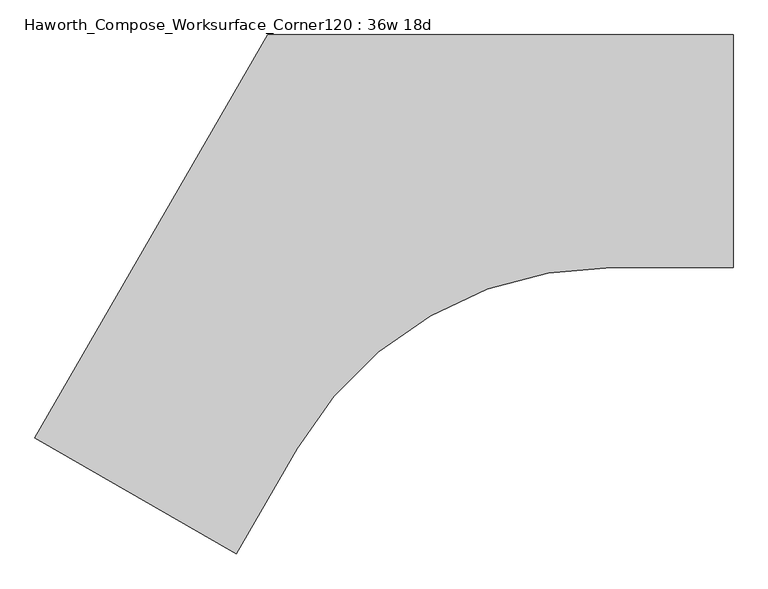
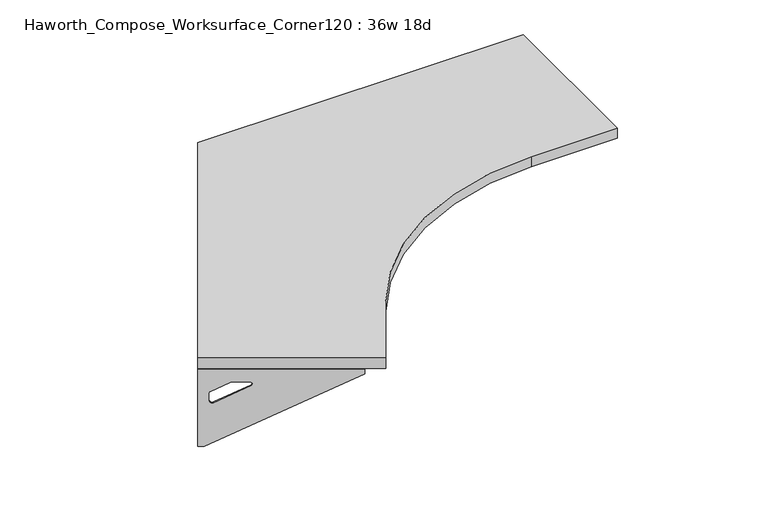
"""IFC4 building model written with IfcOpenShell, lengths in millimetres: furniture geometry, Haworth_Compose_Worksurface_Corner120 : 36w 18d."""

from ifc_helpers import new_model, si_unit, point, frame, frame_2d, origin, place, context, project, spatial, polyline, circle_curve, trimmed, segment, composite_curve, outline, extrude, source, transform, mapped, element, save
from ifc_brep_helpers import plane_surface, revolved_surface, advanced_brep


def haworth_compose_worksurface_corner120_36w_18d_43731341(model_context):
    return source(origin(), model_context, "Body", "SolidModel", [
        advanced_brep(
        [(150.01875, 304.8, 473.86875), (150.01875, 288.925, 473.86875), (150.01875, -101.6, 690.1317568), (150.01875, -101.6, 702.46875), (150.01875, 288.925, 702.46875), (150.01875, 304.8, 702.46875), (150.01875, 221.490072, 664.36875), (150.01875, 177.8355284, 664.36875), (150.01875, 175.1564235, 654.7830539), (150.01875, 266.8776173, 603.9901439), (150.01875, 276.225, 609.5881969), (150.01875, 276.225, 633.0985246), (150.01875, 274.4730055, 635.9367776), (150.01875, 224.5663437, 663.5738425), (152.4, 304.8, 473.86875), (152.4, 304.8, 702.46875), (152.4, 288.925, 702.46875), (152.4, 288.925, 704.85), (152.4, -101.6, 704.85), (152.4, -101.6, 690.1317568), (152.4, 288.925, 473.86875), (152.4, 221.490072, 664.36875), (152.4, 224.5663437, 663.5738425), (152.4, 274.4730055, 635.9367776), (152.4, 276.225, 633.0985246), (152.4, 276.225, 609.5881969), (152.4, 266.8776173, 603.9901439), (152.4, 175.1564235, 654.7830539), (152.4, 177.8355284, 664.36875), (111.125, -101.6, 704.85), (111.125, -101.6, 702.46875), (111.125, 288.925, 702.46875), (111.125, 288.925, 704.85)],
        [
            (0, 1),
            (1, 2),
            (2, 3),
            (3, 4),
            (4, 5),
            (5, 0),
            (6, 7),
            (7, 8, circle_curve(frame((150.01875, 177.8355284, 659.2015106), z_axis=(1.0, 0.0, 0.0), x_axis=(0.0, -1.0, 0.0)), 5.1672394)),
            (8, 9),
            (9, 10, circle_curve(frame((150.01875, 269.875, 609.5881969), z_axis=(1.0, 0.0, 0.0), x_axis=(0.0, -1.0, 0.0)), 6.35)),
            (10, 11),
            (11, 12, circle_curve(frame((150.01875, 273.05, 633.0985246), z_axis=(1.0, 0.0, 0.0), x_axis=(0.0, -1.0, 0.0)), 3.175)),
            (12, 13),
            (13, 6, circle_curve(frame((150.01875, 221.490072, 658.01875), z_axis=(1.0, 0.0, 0.0), x_axis=(0.0, -1.0, 0.0)), 6.35)),
            (14, 15),
            (15, 16),
            (16, 17),
            (17, 18),
            (18, 19),
            (19, 20),
            (20, 14),
            (21, 22, circle_curve(frame((152.4, 221.490072, 658.01875), z_axis=(-1.0, 0.0, 0.0), x_axis=(0.0, -1.0, 0.0)), 6.35)),
            (22, 23),
            (23, 24, circle_curve(frame((152.4, 273.05, 633.0985246), z_axis=(-1.0, 0.0, 0.0), x_axis=(0.0, -1.0, 0.0)), 3.175)),
            (24, 25),
            (25, 26, circle_curve(frame((152.4, 269.875, 609.5881969), z_axis=(-1.0, 0.0, 0.0), x_axis=(0.0, -1.0, 0.0)), 6.35)),
            (26, 27),
            (27, 28, circle_curve(frame((152.4, 177.8355284, 659.2015106), z_axis=(-1.0, 0.0, 0.0), x_axis=(0.0, -1.0, 0.0)), 5.1672394)),
            (28, 21),
            (4, 16),
            (15, 5),
            (14, 0),
            (20, 1),
            (19, 2),
            (18, 29),
            (29, 30),
            (30, 3),
            (6, 21),
            (28, 7),
            (9, 26),
            (25, 10),
            (24, 11),
            (23, 12),
            (27, 8),
            (31, 4),
            (30, 31),
            (32, 29),
            (17, 32),
            (31, 32),
            (22, 13),
        ],
        [
            plane_surface(frame((150.01875, 304.8, 473.86875), z_axis=(-1.0, 0.0, 0.0), x_axis=(0.0, 1.0, 0.0))),
            plane_surface(frame((152.4, 304.8, 473.86875), z_axis=(1.0, 0.0, 0.0), x_axis=(0.0, -1.0, 0.0))),
            plane_surface(frame((152.4, -101.6, 702.46875), z_axis=(0.0, 0.0, 1.0), x_axis=(-1.0, 0.0, 0.0))),
            plane_surface(frame((152.4, 304.8, 702.46875), z_axis=(0.0, 1.0, 0.0), x_axis=(-1.0, 0.0, 0.0))),
            plane_surface(frame((152.4, 304.8, 473.86875), z_axis=(0.0, 0.0, -1.0), x_axis=(-1.0, 0.0, 0.0))),
            plane_surface(frame((152.4, 288.925, 473.86875), z_axis=(0.0, -0.4844522351345575, -0.8748177135112957), x_axis=(-1.0, 0.0, 0.0))),
            plane_surface(frame((152.4, -101.6, 690.1317568), z_axis=(0.0, -1.0, 0.0), x_axis=(-1.0, 0.0, 0.0))),
            plane_surface(frame((152.4, 221.490072, 664.36875), z_axis=(0.0, 0.0, -1.0), x_axis=(-1.0, 0.0, 0.0))),
            revolved_surface(polyline([(150.01875, 263.525, 609.5881969), (152.4, 263.525, 609.5881969)]), (152.4, 269.875, 609.5881969), (-1.0, 0.0, 0.0)),
            plane_surface(frame((152.4, 276.225, 609.5881969), z_axis=(0.0, -1.0, 0.0), x_axis=(-1.0, 0.0, 0.0))),
            revolved_surface(polyline([(150.01875, 269.875, 633.0985246), (152.4, 269.875, 633.0985246)]), (152.4, 273.05, 633.0985246), (-1.0, 0.0, 0.0)),
            revolved_surface(polyline([(150.01875, 172.668289, 659.2015106), (152.4, 172.668289, 659.2015106)]), (152.4, 177.8355284, 659.2015106), (-1.0, 0.0, 0.0)),
            plane_surface(frame((152.4, 288.925, 702.46875), z_axis=(0.0, 0.0, -1.0), x_axis=(-1.0, 0.0, 0.0))),
            plane_surface(frame((152.4, 288.925, 704.85), z_axis=(0.0, 0.0, 1.0), x_axis=(1.0, 0.0, 0.0))),
            plane_surface(frame((111.125, 288.925, 704.85), z_axis=(0.0, 1.0, 0.0), x_axis=(0.0, 0.0, -1.0))),
            plane_surface(frame((111.125, -101.6, 704.85), z_axis=(-1.0, 0.0, 0.0), x_axis=(0.0, 0.0, -1.0))),
            plane_surface(frame((152.4, 175.1564235, 654.7830539), z_axis=(0.0, 0.4844522351341526, 0.8748177135115199), x_axis=(-1.0, 0.0, 0.0))),
            plane_surface(frame((152.4, 274.4730055, 635.9367776), z_axis=(0.0, -0.48445223513456226, -0.874817713511293), x_axis=(-1.0, 0.0, 0.0))),
            revolved_surface(polyline([(150.01875, 215.140072, 658.01875), (152.4, 215.140072, 658.01875)]), (152.4, 221.490072, 658.01875), (-1.0, 0.0, 0.0)),
        ],
        [
            (0, [[1, 2, 3, 4, 5, 6], [7, 8, 9, 10, 11, 12, 13, 14]]),
            (1, [[15, 16, 17, 18, 19, 20, 21], [22, 23, 24, 25, 26, 27, 28, 29]]),
            (2, [[-5, 30, -16, 31]]),
            (3, [[-31, -15, 32, -6]]),
            (4, [[-32, -21, 33, -1]]),
            (5, [[-33, -20, 34, -2]]),
            (6, [[-34, -19, 35, 36, 37, -3]]),
            (7, [[38, -29, 39, -7]]),
            (8, [[40, -26, 41, -10]]),
            (9, [[-41, -25, 42, -11]]),
            (10, [[-42, -24, 43, -12]]),
            (11, [[-39, -28, 44, -8]]),
            (12, [[45, -4, -37, 46]]),
            (13, [[47, -35, -18, 48]]),
            (14, [[-17, -30, -45, 49, -48]]),
            (15, [[-36, -47, -49, -46]]),
            (16, [[-44, -27, -40, -9]]),
            (17, [[-43, -23, 50, -13]]),
            (18, [[-50, -22, -38, -14]]),
        ],
    ),
        advanced_brep(
        [(-1218.009375, -485.0314062, 473.86875), (-1218.009375, -485.0314062, 702.46875), (-1204.2612217, -492.9689062, 702.46875), (-866.0566509, -688.2314062, 702.46875), (-866.0566509, -688.2314062, 690.1317568), (-1204.2612217, -492.9689062, 473.86875), (-1145.860861, -526.6863702, 664.36875), (-1148.5249904, -525.1482344, 663.5738425), (-1191.7454274, -500.1949035, 635.9367776), (-1193.2626991, -499.3189062, 633.0985246), (-1193.2626991, -499.3189062, 609.5881969), (-1185.1676282, -503.9925976, 603.9901439), (-1105.7347443, -549.8531945, 654.7830539), (-1108.0549172, -548.513642, 664.36875), (-1219.2, -487.0936292, 473.86875), (-1205.4518467, -495.0311292, 473.86875), (-867.2472759, -690.2936292, 690.1317568), (-867.2472759, -690.2936292, 704.85), (-1205.4518467, -495.0311292, 704.85), (-1205.4518467, -495.0311292, 702.46875), (-1219.2, -487.0936292, 702.46875), (-1147.051486, -528.7485932, 664.36875), (-1109.2455422, -550.575865, 664.36875), (-1106.9253693, -551.9154175, 654.7830539), (-1186.3582532, -506.0548206, 603.9901439), (-1194.4533241, -501.3811292, 609.5881969), (-1194.4533241, -501.3811292, 633.0985246), (-1192.9360524, -502.2571265, 635.9367776), (-1149.7156154, -527.2104574, 663.5738425), (-846.6097759, -654.5484307, 702.46875), (-846.6097759, -654.5484307, 704.85), (-1184.8143467, -459.2859307, 702.46875), (-1184.8143467, -459.2859307, 704.85)],
        [
            (0, 1),
            (1, 2),
            (2, 3),
            (3, 4),
            (4, 5),
            (5, 0),
            (6, 7, circle_curve(frame((-1145.860861, -526.6863702, 658.01875), z_axis=(-0.5000000000000026, -0.8660254037844374, 0.0), x_axis=(0.8660254037844372, -0.5000000000000024, 0.0)), 6.35)),
            (7, 8),
            (8, 9, circle_curve(frame((-1190.5130684, -500.9064062, 633.0985246), z_axis=(-0.5000000000000026, -0.8660254037844374, 0.0), x_axis=(0.8660254037844372, -0.5000000000000024, 0.0)), 3.175)),
            (9, 10),
            (10, 11, circle_curve(frame((-1187.7634378, -502.4939062, 609.5881969), z_axis=(-0.5000000000000026, -0.8660254037844374, 0.0), x_axis=(0.8660254037844372, -0.5000000000000024, 0.0)), 6.35)),
            (11, 12),
            (12, 13, circle_curve(frame((-1108.0549172, -548.513642, 659.2015106), z_axis=(-0.5000000000000026, -0.8660254037844374, 0.0), x_axis=(0.8660254037844372, -0.5000000000000024, 0.0)), 5.1672394)),
            (13, 6),
            (14, 15),
            (15, 16),
            (16, 17),
            (17, 18),
            (18, 19),
            (19, 20),
            (20, 14),
            (21, 22),
            (22, 23, circle_curve(frame((-1109.2455422, -550.575865, 659.2015106), z_axis=(0.5000000000000026, 0.8660254037844374, 0.0), x_axis=(0.8660254037844372, -0.5000000000000024, 0.0)), 5.1672394)),
            (23, 24),
            (24, 25, circle_curve(frame((-1188.9540628, -504.5561292, 609.5881969), z_axis=(0.5000000000000026, 0.8660254037844374, 0.0), x_axis=(0.8660254037844372, -0.5000000000000024, 0.0)), 6.35)),
            (25, 26),
            (26, 27, circle_curve(frame((-1191.7036934, -502.9686292, 633.0985246), z_axis=(0.5000000000000026, 0.8660254037844374, 0.0), x_axis=(0.8660254037844372, -0.5000000000000024, 0.0)), 3.175)),
            (27, 28),
            (28, 21, circle_curve(frame((-1147.051486, -528.7485932, 658.01875), z_axis=(0.5000000000000026, 0.8660254037844374, 0.0), x_axis=(0.8660254037844372, -0.5000000000000024, 0.0)), 6.35)),
            (1, 20),
            (19, 2),
            (0, 14),
            (5, 15),
            (4, 16),
            (3, 29),
            (29, 30),
            (30, 17),
            (13, 22),
            (21, 6),
            (10, 25),
            (24, 11),
            (9, 26),
            (8, 27),
            (12, 23),
            (31, 29),
            (2, 31),
            (32, 18),
            (30, 32),
            (32, 31),
            (7, 28),
        ],
        [
            plane_surface(frame((-1218.009375, -485.0314062, 473.86875), z_axis=(0.5000000000000026, 0.8660254037844373, 0.0), x_axis=(-0.8660254037844373, 0.5000000000000026, 0.0))),
            plane_surface(frame((-1219.2, -487.0936292, 473.86875), z_axis=(-0.5000000000000026, -0.8660254037844373, 0.0), x_axis=(0.8660254037844373, -0.5000000000000026, 0.0))),
            plane_surface(frame((-867.2472759, -690.2936292, 702.46875), z_axis=(0.0, 0.0, 1.0), x_axis=(0.5000000000000011, 0.866025403784438, 0.0))),
            plane_surface(frame((-1219.2, -487.0936292, 702.46875), z_axis=(-0.866025403784438, 0.5000000000000011, 0.0), x_axis=(0.5000000000000011, 0.866025403784438, 0.0))),
            plane_surface(frame((-1219.2, -487.0936292, 473.86875), z_axis=(0.0, 0.0, -1.0), x_axis=(0.5000000000000011, 0.866025403784438, 0.0))),
            plane_surface(frame((-1205.4518467, -495.0311292, 473.86875), z_axis=(0.41954794254667943, -0.24222611756727808, -0.8748177135112957), x_axis=(0.5000000000000011, 0.866025403784438, 0.0))),
            plane_surface(frame((-867.2472759, -690.2936292, 690.1317568), z_axis=(0.866025403784438, -0.5000000000000011, 0.0), x_axis=(0.5000000000000011, 0.866025403784438, 0.0))),
            plane_surface(frame((-1147.051486, -528.7485932, 664.36875), z_axis=(0.0, 0.0, -1.0), x_axis=(0.5000000000000011, 0.866025403784438, 0.0))),
            revolved_surface(polyline([(-1182.2641764793268, -505.66890619573394, 609.5881969), (-1183.4548014983855, -507.7311292215063, 609.5881969)]), (-1188.9540628, -504.5561292, 609.5881969), (0.5000000000000024, 0.8660254037844372, 0.0)),
            plane_surface(frame((-1194.4533241, -501.3811292, 609.5881969), z_axis=(0.866025403784438, -0.5000000000000011, 0.0), x_axis=(0.5000000000000011, 0.866025403784438, 0.0))),
            revolved_surface(polyline([(-1187.7634377398501, -502.49390620180964, 633.0985246), (-1188.954062786454, -504.5561292752913, 633.0985246)]), (-1191.7036934, -502.9686292, 633.0985246), (0.5000000000000024, 0.8660254037844372, 0.0)),
            revolved_surface(polyline([(-1103.57995660903, -551.0972617018095, 659.2015106), (-1104.7705816345158, -553.1594847387139, 659.2015106)]), (-1109.2455422, -550.575865, 659.2015106), (0.5000000000000024, 0.8660254037844372, 0.0)),
            plane_surface(frame((-1205.4518467, -495.0311292, 702.46875), z_axis=(0.0, 0.0, -1.0), x_axis=(0.5000000000000011, 0.866025403784438, 0.0))),
            plane_surface(frame((-1205.4518467, -495.0311292, 704.85), z_axis=(0.0, 0.0, 1.0), x_axis=(-0.5000000000000011, -0.866025403784438, 0.0))),
            plane_surface(frame((-1184.8143467, -459.2859307, 704.85), z_axis=(-0.866025403784438, 0.5000000000000011, 0.0), x_axis=(0.0, 0.0, -1.0))),
            plane_surface(frame((-846.6097759, -654.5484307, 704.85), z_axis=(0.5000000000000011, 0.866025403784438, 0.0), x_axis=(0.0, 0.0, -1.0))),
            plane_surface(frame((-1106.9253693, -551.9154175, 654.7830539), z_axis=(-0.41954794254632877, 0.24222611756707563, 0.87481771351152), x_axis=(0.5000000000000011, 0.866025403784438, 0.0))),
            plane_surface(frame((-1192.9360524, -502.2571265, 635.9367776), z_axis=(0.4195479425466836, -0.24222611756728046, -0.874817713511293), x_axis=(0.5000000000000011, 0.866025403784438, 0.0))),
            revolved_surface(polyline([(-1140.3615996828346, -529.8613702018097, 658.01875), (-1141.5522246973337, -531.9235932196844, 658.01875)]), (-1147.051486, -528.7485932, 658.01875), (0.5000000000000024, 0.8660254037844372, 0.0)),
        ],
        [
            (0, [[1, 2, 3, 4, 5, 6], [7, 8, 9, 10, 11, 12, 13, 14]]),
            (1, [[15, 16, 17, 18, 19, 20, 21], [22, 23, 24, 25, 26, 27, 28, 29]]),
            (2, [[30, -20, 31, -2]]),
            (3, [[-1, 32, -21, -30]]),
            (4, [[-6, 33, -15, -32]]),
            (5, [[-5, 34, -16, -33]]),
            (6, [[-4, 35, 36, 37, -17, -34]]),
            (7, [[-14, 38, -22, 39]]),
            (8, [[-11, 40, -25, 41]]),
            (9, [[-10, 42, -26, -40]]),
            (10, [[-9, 43, -27, -42]]),
            (11, [[-13, 44, -23, -38]]),
            (12, [[45, -35, -3, 46]]),
            (13, [[47, -18, -37, 48]]),
            (14, [[-47, 49, -46, -31, -19]]),
            (15, [[-45, -49, -48, -36]]),
            (16, [[-12, -41, -24, -44]]),
            (17, [[-8, 50, -28, -43]]),
            (18, [[-7, -39, -29, -50]]),
        ],
    ),
        extrude(outline(composite_curve([segment(polyline([(-1219.2, -487.0936292), (-762.0, 304.8), (152.4, 304.8), (152.4, -152.4), (-87.4239455, -152.4)]), True, "CONTINUOUS"), segment(trimmed(circle_curve(frame_2d((-87.4239455, -863.6)), 711.2), [point((-87.4239455, -152.4))], [point((-703.3412127, -508.0))], True, "CARTESIAN"), True, "CONTINUOUS"), segment(polyline([(-703.3412127, -508.0), (-823.2531854, -715.6936292), (-1219.2, -487.0936292)]), True, "CONTINUOUS")], self_intersect=False)), frame((0.0, 0.0, 706.4375), z_axis=(0.0, 0.0, 1.0), x_axis=(1.0, 0.0, 0.0)), (0.0, 0.0, 1.0), 30.1625),
    ])


if __name__ == "__main__":
    model = new_model("IFC4")
    model_context = context("Model", 3, world=origin())
    ifc_project = project(units=[si_unit("LENGTHUNIT", "METRE", prefix="MILLI")], contexts=[model_context])
    site = spatial("IfcSite", under=ifc_project)
    building = spatial("IfcBuilding", under=site)
    placement = place(None, origin())
    haworth_compose_worksurface_corner120_36w_18d_shape = haworth_compose_worksurface_corner120_36w_18d_43731341(model_context)
    element("IfcFurniture", 1, ObjectType="Haworth_Compose_Worksurface_Corner120 : 36w 18d", at=placement, inside=building, context=model_context, shape_type="MappedRepresentation", body=[
        mapped(haworth_compose_worksurface_corner120_36w_18d_shape, transform((0.0, 0.0, 0.0), x_axis=(1.0, 0.0, 0.0), y_axis=(0.0, 1.0, 0.0), z_axis=(0.0, 0.0, 1.0))),
    ])
    save(model, "model.ifc")
